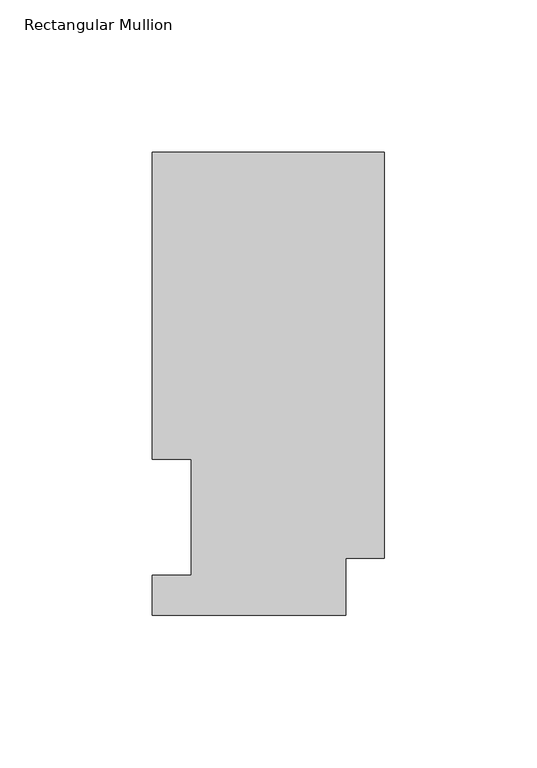
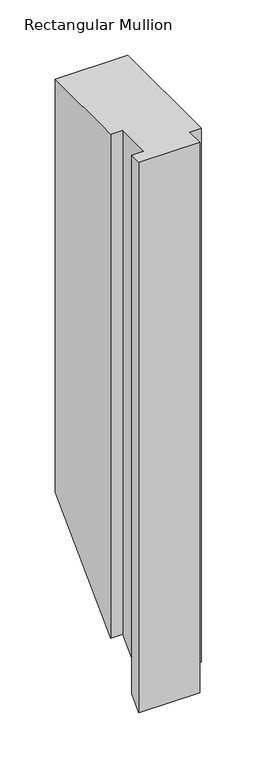
"""IFC4 building model written with IfcOpenShell, lengths in millimetres: member geometry, Rectangular Mullion."""

from ifc_helpers import new_model, si_unit, origin, place, context, project, spatial, faceted_brep, source, transform, mapped, element, save


def rectangular_mullion_9c9c5749(model_context):
    return source(origin(), model_context, "Body", "Brep", [
        faceted_brep([(0.0, 151.9816938, 0.0), (-76.2, 151.9816937, 0.0), (-76.2, 51.2960937, 0.0), (-63.5, 51.2960937, 0.0), (-63.5, 13.1960937, 0.0), (-76.2, 13.1960937, 0.0), (-76.2, 0.0134937, 0.0), (-12.7, 0.0134937, 0.0), (-12.7, 18.7332938, 0.0), (0.0, 18.7332938, 0.0), (0.0, 151.9816938, -457.6183062), (-76.2, 151.9816937, -457.6183062), (-76.2, 51.2960937, -558.3039062), (-63.5, 51.2960937, -558.3039062), (-63.5, 13.1960937, -596.4039062), (-76.2, 13.1960937, -596.4039062), (-76.2, 0.0134937, -609.5865063), (-12.7, 0.0134937, -609.5865062), (-12.7, 18.7332938, -590.8667062), (0.0, 18.7332938, -590.8667062)], [[[0, 1, 2, 3, 4, 5, 6, 7, 8, 9]], [[1, 0, 10, 11]], [[2, 1, 11, 12]], [[3, 2, 12, 13]], [[4, 3, 13, 14]], [[5, 4, 14, 15]], [[6, 5, 15, 16]], [[7, 6, 16, 17]], [[8, 7, 17, 18]], [[9, 8, 18, 19]], [[0, 9, 19, 10]], [[10, 19, 18, 17, 16, 15, 14, 13, 12, 11]]]),
    ])


if __name__ == "__main__":
    model = new_model("IFC4")
    model_context = context("Model", 3, world=origin())
    ifc_project = project(units=[si_unit("LENGTHUNIT", "METRE", prefix="MILLI")], contexts=[model_context])
    site = spatial("IfcSite", under=ifc_project)
    building = spatial("IfcBuilding", under=site)
    placement = place(None, origin())
    rectangular_mullion_shape = rectangular_mullion_9c9c5749(model_context)
    element("IfcMember", 1, ObjectType="Rectangular Mullion", at=placement, inside=building, context=model_context, shape_type="MappedRepresentation", body=[
        mapped(rectangular_mullion_shape, transform((0.0, 0.0, 0.0), x_axis=(1.0, 0.0, 0.0), y_axis=(0.0, 1.0, 0.0), z_axis=(0.0, 0.0, 1.0))),
    ])
    save(model, "model.ifc")
